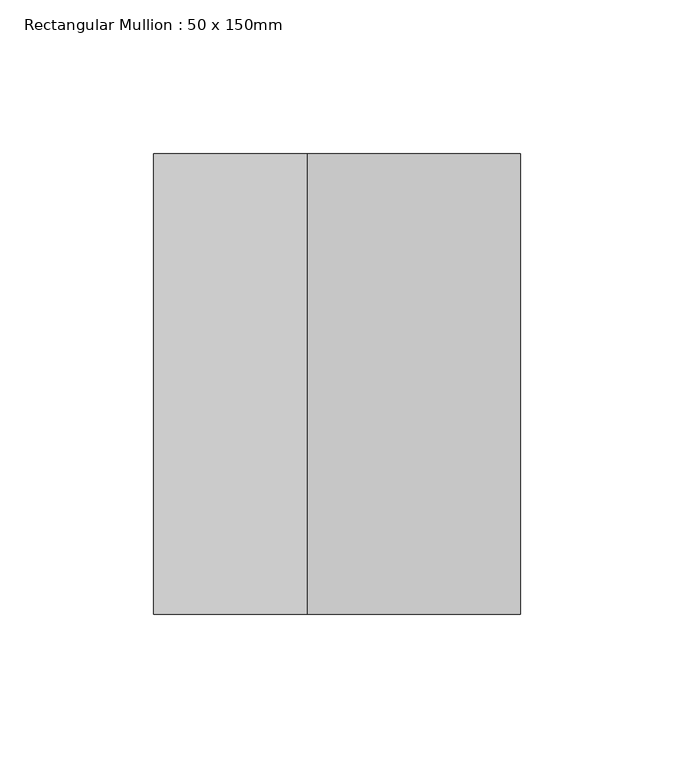
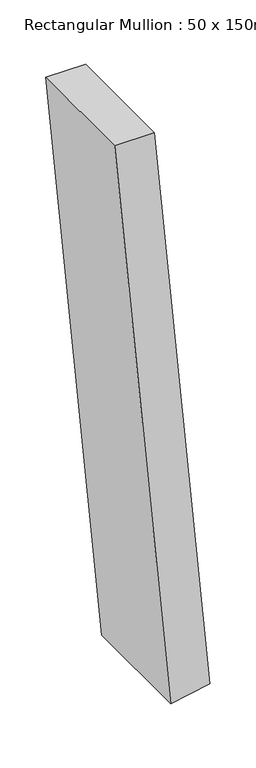
"""IFC4 building model written with IfcOpenShell, lengths in millimetres: member geometry, Rectangular Mullion : 50 x 150mm."""

from ifc_helpers import new_model, si_unit, point, frame, frame_2d, origin, place, context, project, spatial, polyline, circle_curve, trimmed, segment, composite_curve, outline, extrude, source, transform, mapped, element, save


def rectangular_mullion_50_x_150mm_07c1c309(model_context):
    return source(origin(), model_context, "Body", "SweptSolid", [
        extrude(outline(composite_curve([segment(trimmed(circle_curve(frame_2d((0.0, 4163.3746925)), 4163.3746925), [point((-757.7554494, 69.5384099))], [point((0.0, 0.0))], True, "CARTESIAN"), True, "CONTINUOUS"), segment(polyline([(0.0, 0.0), (0.0, -50.0)]), True, "CONTINUOUS"), segment(trimmed(circle_curve(frame_2d((0.0, 4163.3746925)), 4213.3746925), [point((0.0, -50.0))], [point((-766.8557047, 20.3735306))], False, "CARTESIAN"), True, "CONTINUOUS"), segment(polyline([(-766.8557047, 20.3735306), (-757.7554494, 69.5384099)]), True, "CONTINUOUS")], self_intersect=False)), frame((0.0, -75.0, 0.0), z_axis=(0.0, 1.0, 0.0), x_axis=(0.0, 0.0, 1.0)), (0.0, 0.0, 1.0), 150.0),
    ])


if __name__ == "__main__":
    model = new_model("IFC4")
    model_context = context("Model", 3, world=origin())
    ifc_project = project(units=[si_unit("LENGTHUNIT", "METRE", prefix="MILLI")], contexts=[model_context])
    site = spatial("IfcSite", under=ifc_project)
    building = spatial("IfcBuilding", under=site)
    placement = place(None, origin())
    rectangular_mullion_50_x_150mm_shape = rectangular_mullion_50_x_150mm_07c1c309(model_context)
    element("IfcMember", 1, ObjectType="Rectangular Mullion : 50 x 150mm", at=placement, inside=building, context=model_context, shape_type="MappedRepresentation", body=[
        mapped(rectangular_mullion_50_x_150mm_shape, transform((0.0, 0.0, 0.0), x_axis=(1.0, 0.0, 0.0), y_axis=(0.0, 1.0, 0.0), z_axis=(0.0, 0.0, 1.0))),
    ])
    save(model, "model.ifc")
